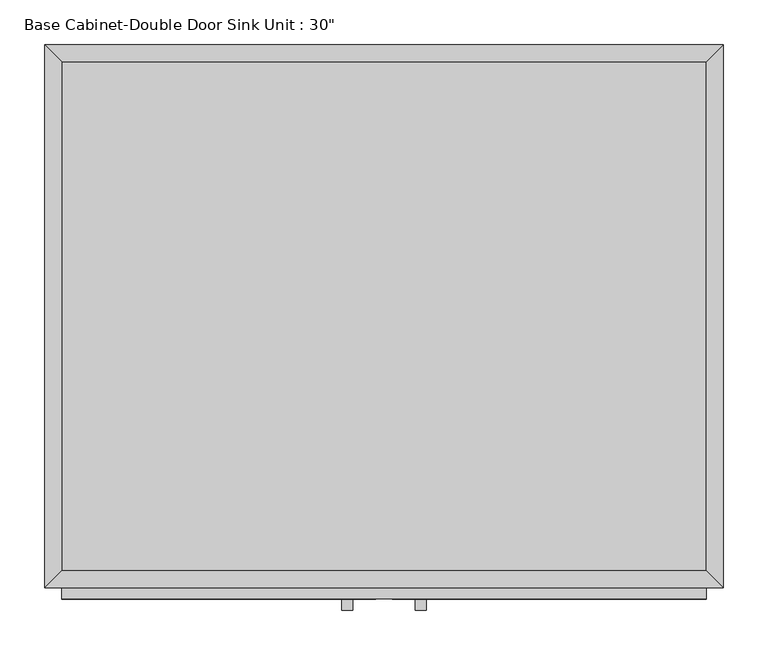
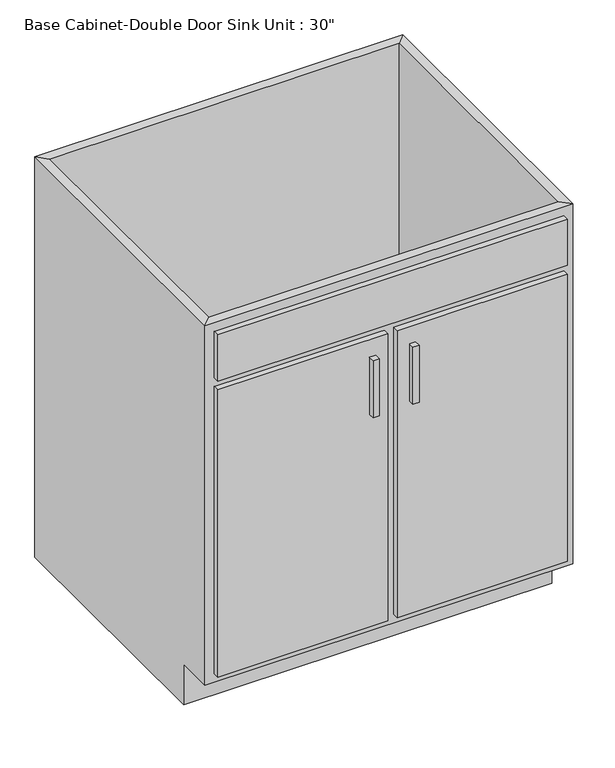
"""IFC4 building model written with IfcOpenShell, lengths in millimetres: furniture geometry."""

from ifc_helpers import new_model, si_unit, frame, origin, place, context, project, spatial, polyline, outline, extrude, faceted_brep, source, transform, mapped, element, save


def furniture_5bfe328f(model_context):
    return source(origin(), model_context, "Body", "SolidModel", [
        faceted_brep([(380.6877049, -590.55, 876.3), (380.6877049, -590.55, 88.9), (-343.2122951, -590.55, 88.9), (-343.2122951, -590.55, 876.3), (-362.2622951, -609.6, 876.3), (399.7377049, -609.6, 876.3), (-362.2622951, -609.6, 88.9), (399.7377049, -609.6, 88.9), (-343.2122951, -533.4, 88.9), (-343.2122951, -19.05, 88.9), (-343.2122951, -19.05, 876.3), (-362.2622951, 0.0, 876.3), (-362.2622951, 0.0, 0.0), (-362.2622951, -533.4, 0.0), (-362.2622951, -533.4, 88.9), (380.6877049, -19.05, 88.9), (380.6877049, -19.05, 876.3), (399.7377049, 0.0, 876.3), (399.7377049, 0.0, 0.0), (380.6877049, -533.4, 88.9), (399.7377049, -533.4, 88.9), (399.7377049, -533.4, 0.0)], [[[0, 1, 2, 3]], [[0, 3, 4, 5]], [[5, 4, 6, 7]], [[2, 1, 7, 6]], [[3, 2, 8, 9, 10]], [[4, 3, 10, 11]], [[6, 4, 11, 12, 13, 14]], [[2, 6, 14, 8]], [[10, 9, 15, 16]], [[11, 10, 16, 17]], [[12, 11, 17, 18]], [[1, 0, 16, 15, 19]], [[0, 5, 17, 16]], [[5, 7, 20, 21, 18, 17]], [[7, 1, 19, 20]], [[8, 19, 15, 9]], [[18, 21, 13, 12]], [[13, 21, 20, 19, 8, 14]]]),
        extrude(outline(polyline([(-16.1872951, -635.0), (-28.8872951, -635.0), (-28.8872951, -622.3), (-16.1872951, -622.3), (-16.1872951, -635.0)])), frame((0.0, 0.0, 573.769895), z_axis=(0.0, 0.0, 1.0), x_axis=(1.0, 0.0, 0.0)), (0.0, 0.0, 1.0), 124.730105),
        extrude(outline(polyline([(66.3627049, -635.0), (53.6627049, -635.0), (53.6627049, -622.3), (66.3627049, -622.3), (66.3627049, -635.0)])), frame((0.0, 0.0, 573.769895), z_axis=(0.0, 0.0, 1.0), x_axis=(1.0, 0.0, 0.0)), (0.0, 0.0, 1.0), 124.730105),
        extrude(outline(polyline([(380.6877049, -19.05), (380.6877049, -590.55), (-343.2122951, -590.55), (-343.2122951, -19.05), (380.6877049, -19.05)])), frame((0.0, 0.0, 88.9), z_axis=(0.0, 0.0, 1.0), x_axis=(1.0, 0.0, 0.0)), (0.0, 0.0, 1.0), 19.05),
        extrude(outline(polyline([(9.2127049, -622.3), (-343.2122951, -622.3), (-343.2122951, -609.6), (9.2127049, -609.6), (9.2127049, -622.3)])), frame((0.0, 0.0, 107.95), z_axis=(0.0, 0.0, 1.0), x_axis=(1.0, 0.0, 0.0)), (0.0, 0.0, 1.0), 628.65),
        extrude(outline(polyline([(380.6877049, -622.3), (28.2627049, -622.3), (28.2627049, -609.6), (380.6877049, -609.6), (380.6877049, -622.3)])), frame((0.0, 0.0, 107.95), z_axis=(0.0, 0.0, 1.0), x_axis=(1.0, 0.0, 0.0)), (0.0, 0.0, 1.0), 628.65),
        extrude(outline(polyline([(380.6877049, -622.3), (-343.2122951, -622.3), (-343.2122951, -609.6), (380.6877049, -609.6), (380.6877049, -622.3)])), frame((0.0, 0.0, 755.65), z_axis=(0.0, 0.0, 1.0), x_axis=(1.0, 0.0, 0.0)), (0.0, 0.0, 1.0), 101.6),
    ])


if __name__ == "__main__":
    model = new_model("IFC4")
    model_context = context("Model", 3, world=origin())
    ifc_project = project(units=[si_unit("LENGTHUNIT", "METRE", prefix="MILLI")], contexts=[model_context])
    site = spatial("IfcSite", under=ifc_project)
    building = spatial("IfcBuilding", under=site)
    placement = place(None, origin())
    furniture_shape = furniture_5bfe328f(model_context)
    element("IfcFurniture", 1, ObjectType="Base Cabinet-Double Door Sink Unit : 30\"", at=placement, inside=building, context=model_context, shape_type="MappedRepresentation", body=[
        mapped(furniture_shape, transform((0.0, 0.0, 0.0), x_axis=(1.0, 0.0, 0.0), y_axis=(0.0, 1.0, 0.0), z_axis=(0.0, 0.0, 1.0))),
    ])
    save(model, "model.ifc")
